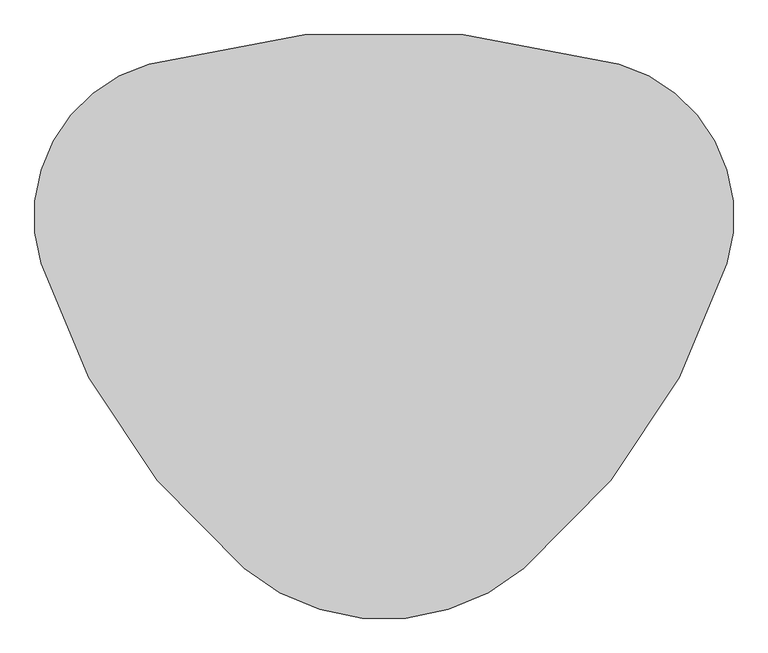
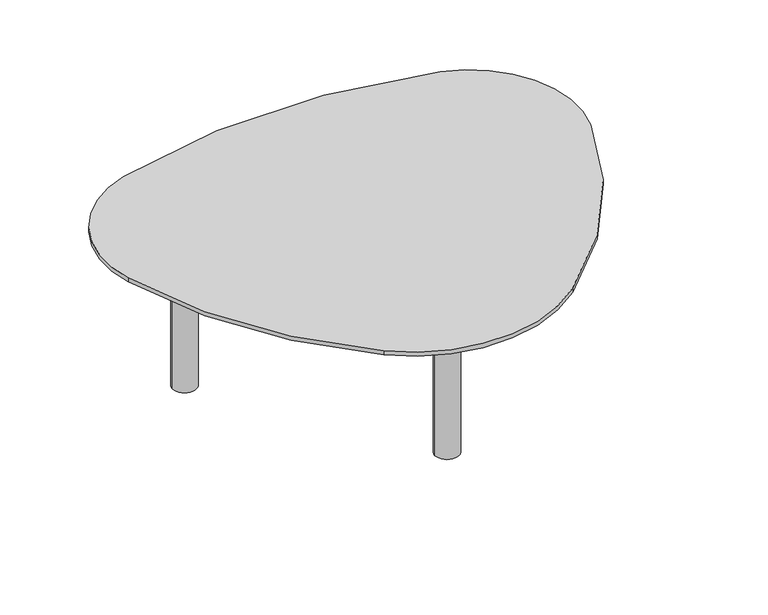
"""IFC4 building model written with IfcOpenShell, lengths in millimetres: furniture geometry."""

from ifc_helpers import new_model, si_unit, point, frame, frame_2d, origin, origin_with_axes, place, context, project, spatial, polyline, circle_curve, trimmed, segment, composite_curve, outline, extrude, source, transform, mapped, element, save


def furniture_004099ea(model_context):
    return source(origin(), model_context, "Body", "SweptSolid", [
        extrude(outline(composite_curve([segment(trimmed(circle_curve(frame_2d((1120.1877104, -740.5514632)), 1205.9357369), [point((380.4565902, 211.8554201))], [point((10.2718751, -268.9925165))], True, "CARTESIAN"), True, "CONTINUOUS"), segment(polyline([(10.2718751, -268.9925165), (-2.9754482, -263.2675831)]), True, "CONTINUOUS"), segment(trimmed(circle_curve(frame_2d((1140.8506488, -758.6882727)), 1246.5070396), [point((-2.9754482, -263.2675831))], [point((372.0653275, 222.5094288))], False, "CARTESIAN"), True, "CONTINUOUS"), segment(polyline([(372.0653275, 222.5094288), (380.4565902, 211.8554201)]), True, "CONTINUOUS")], self_intersect=False)), frame((0.0, 0.0, 180.5475733), z_axis=(0.0, 0.0, 1.0), x_axis=(1.0, 0.0, 0.0)), (0.0, 0.0, 1.0), 76.5755312),
        extrude(outline(composite_curve([segment(trimmed(circle_curve(frame_2d((-383.1829547, 236.826946)), 31.5), [point((-414.6829547, 236.826946))], [point((-351.6829547, 236.826946))], False, "CARTESIAN"), True, "CONTINUOUS"), segment(trimmed(circle_curve(frame_2d((-383.1829547, 236.826946)), 31.5), [point((-351.6829547, 236.826946))], [point((-414.6829547, 236.826946))], False, "CARTESIAN"), True, "CONTINUOUS")], self_intersect=False)), origin_with_axes(), (0.0, 0.0, 1.0), 439.836416),
        extrude(outline(composite_curve([segment(trimmed(circle_curve(frame_2d((383.1829547, 236.826946)), 31.5), [point((414.6829547, 236.826946))], [point((351.6829547, 236.826946))], False, "CARTESIAN"), True, "CONTINUOUS"), segment(trimmed(circle_curve(frame_2d((383.1829547, 236.826946)), 31.5), [point((351.6829547, 236.826946))], [point((414.6829547, 236.826946))], False, "CARTESIAN"), True, "CONTINUOUS")], self_intersect=False)), origin_with_axes(), (0.0, 0.0, 1.0), 439.836416),
        extrude(outline(composite_curve([segment(trimmed(circle_curve(frame_2d((0.0, -287.6874736)), 31.5), [point((-31.5, -287.6874736))], [point((31.5, -287.6874736))], False, "CARTESIAN"), True, "CONTINUOUS"), segment(trimmed(circle_curve(frame_2d((0.0, -287.6874736)), 31.5), [point((31.5, -287.6874736))], [point((-31.5, -287.6874736))], False, "CARTESIAN"), True, "CONTINUOUS")], self_intersect=False)), origin_with_axes(), (0.0, 0.0, 1.0), 439.836416),
        extrude(outline(composite_curve([segment(polyline([(363.8944898, 256.6406577), (367.8213201, 244.0596107)]), True, "CONTINUOUS"), segment(trimmed(circle_curve(frame_2d((-32.2287735, 1482.2892738)), 1301.2504663), [point((367.8213201, 244.0596107))], [point((-357.7850844, 222.4218743))], False, "CARTESIAN"), True, "CONTINUOUS"), segment(polyline([(-357.7850844, 222.4218743), (-354.5395451, 235.0546082)]), True, "CONTINUOUS"), segment(trimmed(circle_curve(frame_2d((-32.4072026, 1480.112046)), 1286.0549247), [point((-354.5395451, 235.0546082))], [point((363.8944898, 256.6406577))], True, "CARTESIAN"), True, "CONTINUOUS")], self_intersect=False)), frame((0.0, 0.0, 257.1231045), z_axis=(0.0, 0.0, 1.0), x_axis=(1.0, 0.0, 0.0)), (0.0, 0.0, 1.0), 76.5755312),
        extrude(outline(composite_curve([segment(trimmed(circle_curve(frame_2d((336.6632006, 190.5398036)), 280.0), [point((414.0696181, 459.6276081))], [point((604.3388571, 108.3829845))], False, "CARTESIAN"), True, "CONTINUOUS"), segment(trimmed(circle_curve(frame_2d((-479.5737326, 441.0647519)), 1133.8181779), [point((604.3388571, 108.3829845))], [point((246.5697181, -429.7161329))], False, "CARTESIAN"), True, "CONTINUOUS"), segment(trimmed(circle_curve(frame_2d((0.0, -134.0332384)), 385.0), [point((246.5697181, -429.7161329))], [point((-246.5697181, -429.7161329))], False, "CARTESIAN"), True, "CONTINUOUS"), segment(trimmed(circle_curve(frame_2d((479.5737326, 441.0647519)), 1133.8181779), [point((-246.5697181, -429.7161329))], [point((-604.3388571, 108.3829845))], False, "CARTESIAN"), True, "CONTINUOUS"), segment(trimmed(circle_curve(frame_2d((-336.6632006, 190.5398036)), 280.0), [point((-604.3388571, 108.3829845))], [point((-414.0696181, 459.6276081))], False, "CARTESIAN"), True, "CONTINUOUS"), segment(trimmed(circle_curve(frame_2d((0.0, -979.8019393)), 1497.8020799), [point((-414.0696181, 459.6276081))], [point((414.0696181, 459.6276081))], False, "CARTESIAN"), True, "CONTINUOUS")], self_intersect=False)), frame((0.0, 0.0, 439.836416), z_axis=(0.0, 0.0, 1.0), x_axis=(1.0, 0.0, 0.0)), (0.0, 0.0, 1.0), 11.1434332),
    ])


if __name__ == "__main__":
    model = new_model("IFC4")
    model_context = context("Model", 3, world=origin())
    ifc_project = project(units=[si_unit("LENGTHUNIT", "METRE", prefix="MILLI")], contexts=[model_context])
    site = spatial("IfcSite", under=ifc_project)
    building = spatial("IfcBuilding", under=site)
    placement = place(None, origin())
    furniture_shape = furniture_004099ea(model_context)
    element("IfcFurniture", 1, at=placement, inside=building, context=model_context, shape_type="MappedRepresentation", body=[
        mapped(furniture_shape, transform((0.0, 0.0, 0.0), x_axis=(1.0, 0.0, 0.0), y_axis=(0.0, 1.0, 0.0), z_axis=(0.0, 0.0, 1.0))),
    ])
    save(model, "model.ifc")
